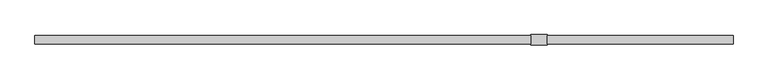
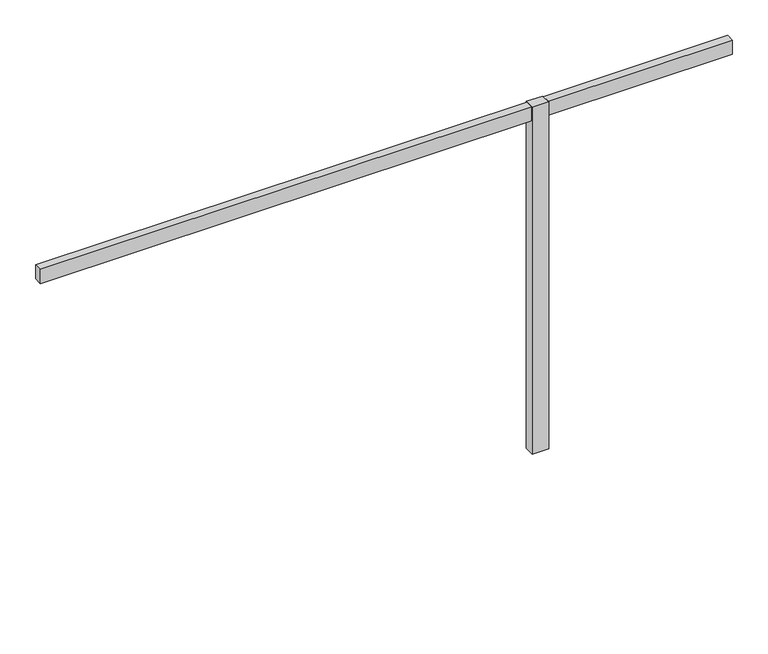
"""IFC4 building model written with IfcOpenShell, lengths in millimetres: furniture geometry."""

from ifc_helpers import new_model, si_unit, frame, origin, place, context, project, spatial, polyline, circle_curve, outline, extrude, source, transform, mapped, element, save
from ifc_brep_helpers import plane_surface, cylinder_surface, revolved_surface, advanced_brep


def furniture_4866f1a9(model_context):
    return source(origin(), model_context, "Body", "SolidModel", [
        extrude(outline(polyline([(0.0, -25.4), (0.0, 25.4), (3048.0, 25.4), (3048.0, -25.4), (0.0, -25.4)])), frame((0.0, 0.0, 2193.163), z_axis=(0.0, 0.0, 1.0), x_axis=(1.0, 0.0, 0.0)), (0.0, 0.0, 1.0), 92.71),
        extrude(outline(polyline([(4293.9208, 25.4), (4293.9208, -25.4), (3149.6, -25.4), (3149.6, 25.4), (4293.9208, 25.4)])), frame((0.0, 0.0, 2193.163), z_axis=(0.0, 0.0, 1.0), x_axis=(1.0, 0.0, 0.0)), (0.0, 0.0, 1.0), 92.71),
        advanced_brep(
        [(3093.88608, 0.0, 12.2513995), (3107.3007166, 0.0, 12.2513995), (3107.3007166, 0.0, 8.6192084), (3093.88608, 0.0, 8.6192084), (3100.5933983, 0.0, 12.2513995), (3096.6977328, 0.0, 0.1343169), (3104.4890638, 0.0, 0.1343169), (3100.5933983, 0.0, 0.1343169), (3091.9954934, 0.0, 0.5457096), (3109.1913032, 0.0, 0.5457096), (3090.063095, 0.0, 1.6168555), (3111.1237016, 0.0, 1.6168555), (3089.3442797, 0.0, 3.5917842), (3111.8425168, 0.0, 3.5917842), (3089.3442797, 0.0, 5.5815918), (3111.8425168, 0.0, 5.5815918), (3089.7049588, 0.0, 6.9276644), (3111.4818378, 0.0, 6.9276644), (3090.7315909, 0.0, 7.9542964), (3110.4552057, 0.0, 7.9542964), (3092.3773058, 0.0, 8.6192084), (3108.8094908, 0.0, 8.6192084)],
        [
            (0, 1, circle_curve(frame((3100.5933983, 0.0, 12.2513995), z_axis=(0.0, 0.0, -1.0), x_axis=(1.0, 0.0, 0.0)), 6.7073183)),
            (1, 2),
            (2, 3, circle_curve(frame((3100.5933983, 0.0, 8.6192084), z_axis=(0.0, 0.0, 1.0), x_axis=(1.0, 0.0, 0.0)), 6.7073183)),
            (3, 0),
            (1, 0, circle_curve(frame((3100.5933983, 0.0, 12.2513995), z_axis=(0.0, 0.0, -1.0), x_axis=(1.0, 0.0, 0.0)), 6.7073183)),
            (3, 2, circle_curve(frame((3100.5933983, 0.0, 8.6192084), z_axis=(0.0, 0.0, 1.0), x_axis=(1.0, 0.0, 0.0)), 6.7073183)),
            (4, 1),
            (0, 4),
            (5, 6, circle_curve(frame((3100.5933983, 0.0, 0.1343169), z_axis=(0.0, 0.0, -1.0), x_axis=(1.0, 0.0, 0.0)), 3.8956655)),
            (6, 7),
            (7, 5),
            (6, 5, circle_curve(frame((3100.5933983, 0.0, 0.1343169), z_axis=(0.0, 0.0, -1.0), x_axis=(1.0, 0.0, 0.0)), 3.8956655)),
            (8, 9, circle_curve(frame((3100.5933983, 0.0, 0.5457096), z_axis=(0.0, 0.0, -1.0), x_axis=(1.0, 0.0, 0.0)), 8.5979049)),
            (9, 6),
            (5, 8),
            (9, 8, circle_curve(frame((3100.5933983, 0.0, 0.5457096), z_axis=(0.0, 0.0, -1.0), x_axis=(1.0, 0.0, 0.0)), 8.5979049)),
            (10, 11, circle_curve(frame((3100.5933983, 0.0, 1.6168555), z_axis=(0.0, 0.0, -1.0), x_axis=(1.0, 0.0, 0.0)), 10.5303033)),
            (11, 9),
            (8, 10),
            (11, 10, circle_curve(frame((3100.5933983, 0.0, 1.6168555), z_axis=(0.0, 0.0, -1.0), x_axis=(1.0, 0.0, 0.0)), 10.5303033)),
            (12, 13, circle_curve(frame((3100.5933983, 0.0, 3.5917842), z_axis=(0.0, 0.0, -1.0), x_axis=(1.0, 0.0, 0.0)), 11.2491185)),
            (13, 11),
            (10, 12),
            (13, 12, circle_curve(frame((3100.5933983, 0.0, 3.5917842), z_axis=(0.0, 0.0, -1.0), x_axis=(1.0, 0.0, 0.0)), 11.2491185)),
            (14, 15, circle_curve(frame((3100.5933983, 0.0, 5.5815918), z_axis=(0.0, 0.0, -1.0), x_axis=(1.0, 0.0, 0.0)), 11.2491185)),
            (15, 13),
            (12, 14),
            (15, 14, circle_curve(frame((3100.5933983, 0.0, 5.5815918), z_axis=(0.0, 0.0, -1.0), x_axis=(1.0, 0.0, 0.0)), 11.2491185)),
            (16, 17, circle_curve(frame((3100.5933983, 0.0, 6.9276644), z_axis=(0.0, 0.0, -1.0), x_axis=(1.0, 0.0, 0.0)), 10.8884395)),
            (17, 15),
            (14, 16),
            (17, 16, circle_curve(frame((3100.5933983, 0.0, 6.9276644), z_axis=(0.0, 0.0, -1.0), x_axis=(1.0, 0.0, 0.0)), 10.8884395)),
            (18, 19, circle_curve(frame((3100.5933983, 0.0, 7.9542964), z_axis=(0.0, 0.0, -1.0), x_axis=(1.0, 0.0, 0.0)), 9.8618074)),
            (19, 17),
            (16, 18),
            (19, 18, circle_curve(frame((3100.5933983, 0.0, 7.9542964), z_axis=(0.0, 0.0, -1.0), x_axis=(1.0, 0.0, 0.0)), 9.8618074)),
            (20, 21, circle_curve(frame((3100.5933983, 0.0, 8.6192084), z_axis=(0.0, 0.0, -1.0), x_axis=(1.0, 0.0, 0.0)), 8.2160925)),
            (21, 19),
            (18, 20),
            (21, 20, circle_curve(frame((3100.5933983, 0.0, 8.6192084), z_axis=(0.0, 0.0, -1.0), x_axis=(1.0, 0.0, 0.0)), 8.2160925)),
            (2, 21),
            (20, 3),
        ],
        [
            cylinder_surface(frame((3100.5933983, 0.0, 12.9264669), z_axis=(0.0, 0.0, 1.0), x_axis=(1.0, 0.0, 0.0)), 6.7073183),
            plane_surface(frame((3100.5933983, 0.0, 12.2513995), z_axis=(0.0, 0.0, 1.0), x_axis=(1.0, 0.0, 0.0))),
            plane_surface(frame((3100.5933983, 0.0, 0.1343169), z_axis=(0.0, 0.0, -1.0), x_axis=(1.0, 0.0, 0.0))),
            revolved_surface(polyline([(3104.4890638, 0.0, 0.1343169), (3109.1913032, 0.0, 0.5457096)]), (3100.5933983, 0.0, 12.9264669), (0.0, 0.0, 1.0)),
            revolved_surface(polyline([(3109.1913032, 0.0, 0.5457096), (3111.1237016, 0.0, 1.6168555)]), (3100.5933983, 0.0, 12.9264669), (0.0, 0.0, 1.0)),
            revolved_surface(polyline([(3111.1237016, 0.0, 1.6168555), (3111.8425168, 0.0, 3.5917842)]), (3100.5933983, 0.0, 12.9264669), (0.0, 0.0, 1.0)),
            cylinder_surface(frame((3100.5933983, 0.0, 12.9264669), z_axis=(0.0, 0.0, 1.0), x_axis=(1.0, 0.0, 0.0)), 11.2491185),
            revolved_surface(polyline([(3111.8425168, 0.0, 5.5815918), (3111.4818378, 0.0, 6.9276644)]), (3100.5933983, 0.0, 12.9264669), (0.0, 0.0, 1.0)),
            revolved_surface(polyline([(3111.4818378, 0.0, 6.9276644), (3110.4552057, 0.0, 7.9542964)]), (3100.5933983, 0.0, 12.9264669), (0.0, 0.0, 1.0)),
            revolved_surface(polyline([(3110.4552057, 0.0, 7.9542964), (3108.8094908, 0.0, 8.6192084)]), (3100.5933983, 0.0, 12.9264669), (0.0, 0.0, 1.0)),
            plane_surface(frame((3100.5933983, 0.0, 8.6192084), z_axis=(0.0, 0.0, 1.0), x_axis=(1.0, 0.0, 0.0))),
        ],
        [
            (0, [[1, 2, 3, 4]]),
            (0, [[5, -4, 6, -2]]),
            (1, [[7, -1, 8]]),
            (1, [[-8, -5, -7]]),
            (2, [[9, 10, 11]]),
            (2, [[12, -11, -10]]),
            (3, [[13, 14, -9, 15]]),
            (3, [[16, -15, -12, -14]]),
            (4, [[17, 18, -13, 19]]),
            (4, [[20, -19, -16, -18]]),
            (5, [[21, 22, -17, 23]]),
            (5, [[24, -23, -20, -22]]),
            (6, [[25, 26, -21, 27]]),
            (6, [[28, -27, -24, -26]]),
            (7, [[29, 30, -25, 31]]),
            (7, [[32, -31, -28, -30]]),
            (8, [[33, 34, -29, 35]]),
            (8, [[36, -35, -32, -34]]),
            (9, [[37, 38, -33, 39]]),
            (9, [[40, -39, -36, -38]]),
            (10, [[-3, 41, -37, 42]]),
            (10, [[-6, -42, -40, -41]]),
        ],
    ),
        extrude(outline(polyline([(3048.0, 31.75), (3149.6, 31.75), (3149.6, -31.75), (3048.0, -31.75), (3048.0, 31.75)])), frame((0.0, 0.0, 12.2513995), z_axis=(0.0, 0.0, 1.0), x_axis=(1.0, 0.0, 0.0)), (0.0, 0.0, 1.0), 2273.6216005),
    ])


if __name__ == "__main__":
    model = new_model("IFC4")
    model_context = context("Model", 3, world=origin())
    ifc_project = project(units=[si_unit("LENGTHUNIT", "METRE", prefix="MILLI")], contexts=[model_context])
    site = spatial("IfcSite", under=ifc_project)
    building = spatial("IfcBuilding", under=site)
    placement = place(None, origin())
    furniture_shape = furniture_4866f1a9(model_context)
    element("IfcFurniture", 1, at=placement, inside=building, context=model_context, shape_type="MappedRepresentation", body=[
        mapped(furniture_shape, transform((0.0, 0.0, 0.0), x_axis=(1.0, 0.0, 0.0), y_axis=(0.0, 1.0, 0.0), z_axis=(0.0, 0.0, 1.0))),
    ])
    save(model, "model.ifc")
